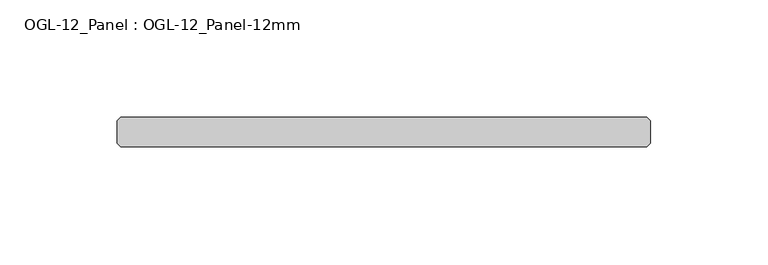
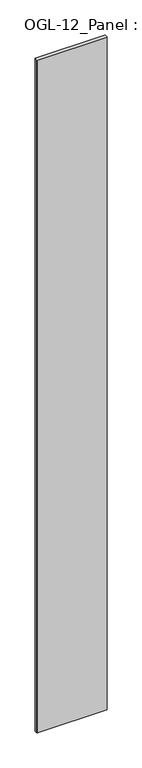
"""IFC4 building model written with IfcOpenShell, lengths in millimetres: plate geometry, OGL-12_Panel : OGL-12_Panel-12mm."""

from ifc_helpers import new_model, si_unit, origin, origin_with_axes, place, context, project, spatial, polyline, outline, extrude, source, transform, mapped, element, save


def ogl_12_panel_ogl_12_panel_12mm_9dcc36b7(model_context):
    return source(origin(), model_context, "Body", "SweptSolid", [
        extrude(outline(polyline([(112.3178624, -29.1703125), (-112.3178624, -29.1703125), (-113.9053624, -27.5828125), (-113.9053624, -18.0578125), (-112.3178624, -16.4703125), (112.3178624, -16.4703125), (113.9053624, -18.0578125), (113.9053624, -27.5828125), (112.3178624, -29.1703125)])), origin_with_axes(), (0.0, 0.0, 1.0), 2303.3985282),
    ])


if __name__ == "__main__":
    model = new_model("IFC4")
    model_context = context("Model", 3, world=origin())
    ifc_project = project(units=[si_unit("LENGTHUNIT", "METRE", prefix="MILLI")], contexts=[model_context])
    site = spatial("IfcSite", under=ifc_project)
    building = spatial("IfcBuilding", under=site)
    placement = place(None, origin())
    ogl_12_panel_ogl_12_panel_12mm_shape = ogl_12_panel_ogl_12_panel_12mm_9dcc36b7(model_context)
    element("IfcPlate", 1, ObjectType="OGL-12_Panel : OGL-12_Panel-12mm", at=placement, inside=building, context=model_context, shape_type="MappedRepresentation", body=[
        mapped(ogl_12_panel_ogl_12_panel_12mm_shape, transform((0.0, 0.0, 0.0), x_axis=(1.0, 0.0, 0.0), y_axis=(0.0, 1.0, 0.0), z_axis=(0.0, 0.0, 1.0))),
    ])
    save(model, "model.ifc")
